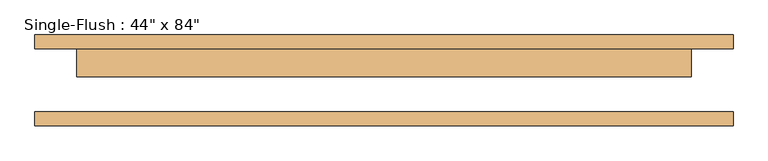
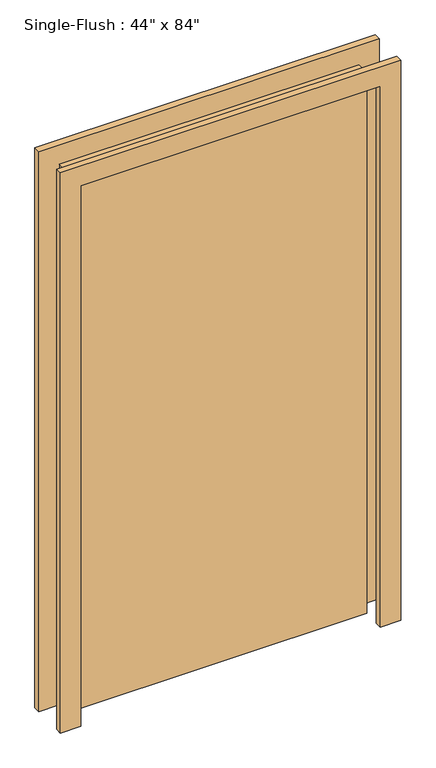
"""IFC4 building model written with IfcOpenShell, lengths in millimetres: door geometry."""

from ifc_helpers import new_model, si_unit, frame, origin, origin_with_axes, place, context, project, spatial, polyline, outline, extrude, source, transform, mapped, element, save


def door_d85bbe69(model_context):
    return source(origin(), model_context, "Body", "SweptSolid", [
        extrude(outline(polyline([(2209.8, -635.0), (0.0, -635.0), (0.0, -558.8), (2133.6, -558.8), (2133.6, 558.8), (0.0, 558.8), (0.0, 635.0), (2209.8, 635.0), (2209.8, -635.0)])), frame((0.0, 57.15, 0.0), z_axis=(0.0, 1.0, 0.0), x_axis=(0.0, 0.0, 1.0)), (0.0, 0.0, 1.0), 25.4),
        extrude(outline(polyline([(2209.8, 635.0), (2209.8, -635.0), (0.0, -635.0), (0.0, -558.8), (2133.6, -558.8), (2133.6, 558.8), (0.0, 558.8), (0.0, 635.0), (2209.8, 635.0)])), frame((0.0, -82.55, 0.0), z_axis=(0.0, 1.0, 0.0), x_axis=(0.0, 0.0, 1.0)), (0.0, 0.0, 1.0), 25.4),
        extrude(outline(polyline([(558.8, 6.35), (-558.8, 6.35), (-558.8, 57.15), (558.8, 57.15), (558.8, 6.35)])), origin_with_axes(), (0.0, 0.0, 1.0), 2133.6),
    ])


if __name__ == "__main__":
    model = new_model("IFC4")
    model_context = context("Model", 3, world=origin())
    ifc_project = project(units=[si_unit("LENGTHUNIT", "METRE", prefix="MILLI")], contexts=[model_context])
    site = spatial("IfcSite", under=ifc_project)
    building = spatial("IfcBuilding", under=site)
    placement = place(None, origin())
    door_shape = door_d85bbe69(model_context)
    element("IfcDoor", 1, ObjectType="Single-Flush : 44\" x 84\"", at=placement, inside=building, context=model_context, shape_type="MappedRepresentation", body=[
        mapped(door_shape, transform((0.0, 0.0, 0.0), x_axis=(1.0, 0.0, 0.0), y_axis=(0.0, 1.0, 0.0), z_axis=(0.0, 0.0, 1.0))),
    ])
    save(model, "model.ifc")
